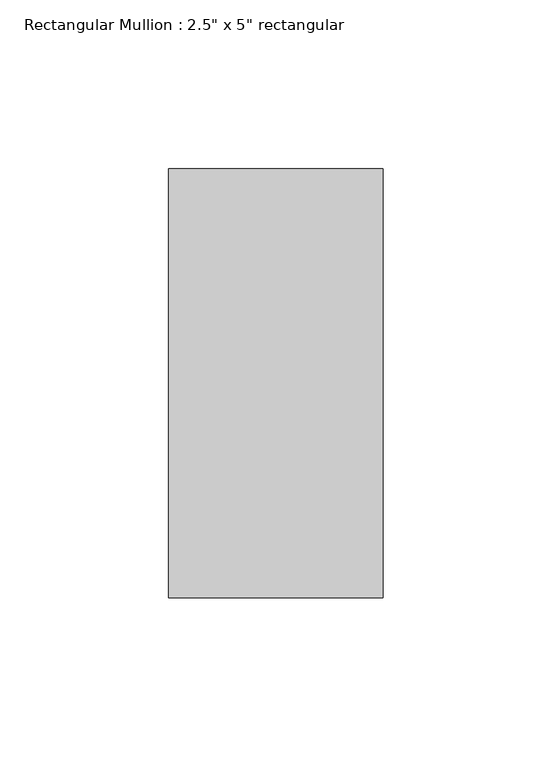
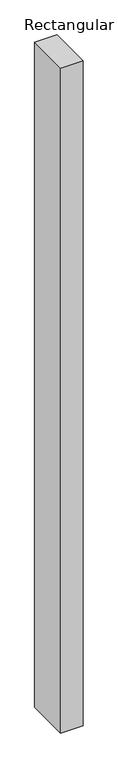
"""IFC4 building model written with IfcOpenShell, lengths in millimetres: member geometry."""

from ifc_helpers import new_model, si_unit, frame, origin, place, context, project, spatial, polyline, outline, extrude, source, transform, mapped, element, save


def member_3d45eb2f(model_context):
    return source(origin(), model_context, "Body", "SweptSolid", [
        extrude(outline(polyline([(31.75, 63.5), (31.75, -63.5), (-31.75, -63.5), (-31.75, 63.5), (31.75, 63.5)])), frame((0.0, 0.0, -1981.2), z_axis=(0.0, 0.0, 1.0), x_axis=(1.0, 0.0, 0.0)), (0.0, 0.0, 1.0), 1981.2),
    ])


if __name__ == "__main__":
    model = new_model("IFC4")
    model_context = context("Model", 3, world=origin())
    ifc_project = project(units=[si_unit("LENGTHUNIT", "METRE", prefix="MILLI")], contexts=[model_context])
    site = spatial("IfcSite", under=ifc_project)
    building = spatial("IfcBuilding", under=site)
    placement = place(None, origin())
    member_shape = member_3d45eb2f(model_context)
    element("IfcMember", 1, ObjectType="Rectangular Mullion : 2.5\" x 5\" rectangular", at=placement, inside=building, context=model_context, shape_type="MappedRepresentation", body=[
        mapped(member_shape, transform((0.0, 0.0, 0.0), x_axis=(1.0, 0.0, 0.0), y_axis=(0.0, 1.0, 0.0), z_axis=(0.0, 0.0, 1.0))),
    ])
    save(model, "model.ifc")
